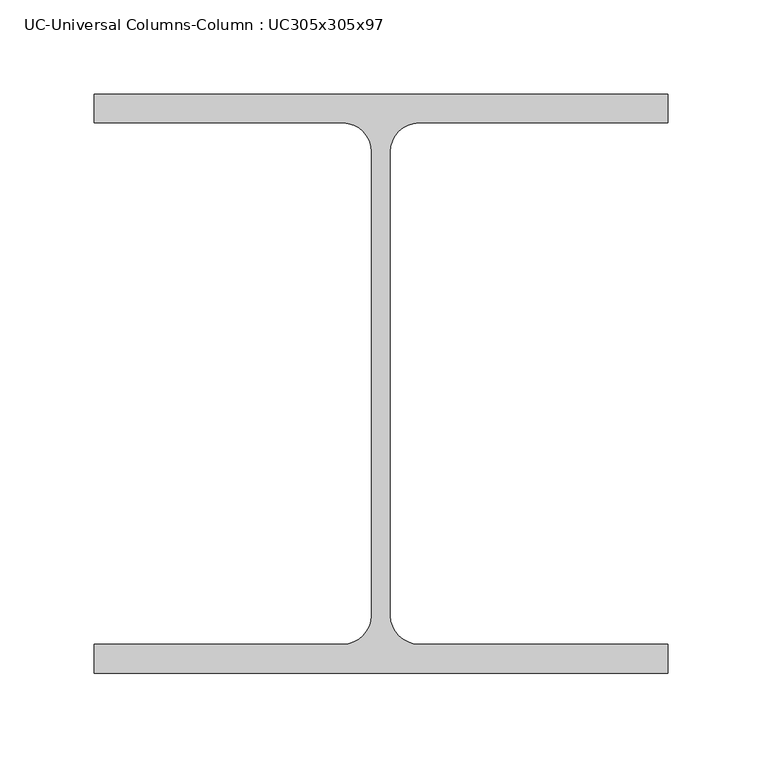
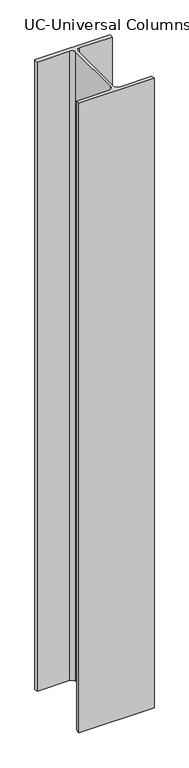
"""IFC4 building model written with IfcOpenShell, lengths in millimetres: column geometry, UC-Universal Columns-Column : UC305x305x97."""

from ifc_helpers import new_model, si_unit, point, frame_2d, origin, origin_with_axes, place, context, project, spatial, polyline, circle_curve, trimmed, segment, composite_curve, outline, extrude, source, transform, mapped, element, save


def uc_universal_columns_column_uc305x305x97_b712f9d7(model_context):
    return source(origin(), model_context, "Body", "SweptSolid", [
        extrude(outline(composite_curve([segment(polyline([(152.65, 153.95), (152.65, 138.55), (20.15, 138.55)]), True, "CONTINUOUS"), segment(trimmed(circle_curve(frame_2d((20.15, 123.35)), 15.2), [point((20.15, 138.55))], [point((4.95, 123.35))], True, "CARTESIAN"), True, "CONTINUOUS"), segment(polyline([(4.95, 123.35), (4.95, -123.35)]), True, "CONTINUOUS"), segment(trimmed(circle_curve(frame_2d((20.15, -123.35)), 15.2), [point((4.95, -123.35))], [point((20.15, -138.55))], True, "CARTESIAN"), True, "CONTINUOUS"), segment(polyline([(20.15, -138.55), (152.65, -138.55), (152.65, -153.95), (-152.65, -153.95), (-152.65, -138.55), (-20.15, -138.55)]), True, "CONTINUOUS"), segment(trimmed(circle_curve(frame_2d((-20.15, -123.35)), 15.2), [point((-20.15, -138.55))], [point((-4.95, -123.35))], True, "CARTESIAN"), True, "CONTINUOUS"), segment(polyline([(-4.95, -123.35), (-4.95, 123.35)]), True, "CONTINUOUS"), segment(trimmed(circle_curve(frame_2d((-20.15, 123.35)), 15.2), [point((-4.95, 123.35))], [point((-20.15, 138.55))], True, "CARTESIAN"), True, "CONTINUOUS"), segment(polyline([(-20.15, 138.55), (-152.65, 138.55), (-152.65, 153.95), (152.65, 153.95)]), True, "CONTINUOUS")], self_intersect=False)), origin_with_axes(), (0.0, 0.0, 1.0), 2700.0),
    ])


if __name__ == "__main__":
    model = new_model("IFC4")
    model_context = context("Model", 3, world=origin())
    ifc_project = project(units=[si_unit("LENGTHUNIT", "METRE", prefix="MILLI")], contexts=[model_context])
    site = spatial("IfcSite", under=ifc_project)
    building = spatial("IfcBuilding", under=site)
    placement = place(None, origin())
    uc_universal_columns_column_uc305x305x97_shape = uc_universal_columns_column_uc305x305x97_b712f9d7(model_context)
    element("IfcColumn", 1, ObjectType="UC-Universal Columns-Column : UC305x305x97", at=placement, inside=building, context=model_context, shape_type="MappedRepresentation", body=[
        mapped(uc_universal_columns_column_uc305x305x97_shape, transform((0.0, 0.0, 0.0), x_axis=(1.0, 0.0, 0.0), y_axis=(0.0, 1.0, 0.0), z_axis=(0.0, 0.0, 1.0))),
    ])
    save(model, "model.ifc")
